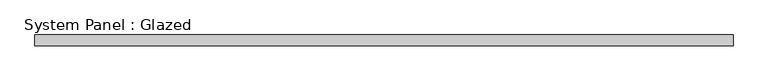
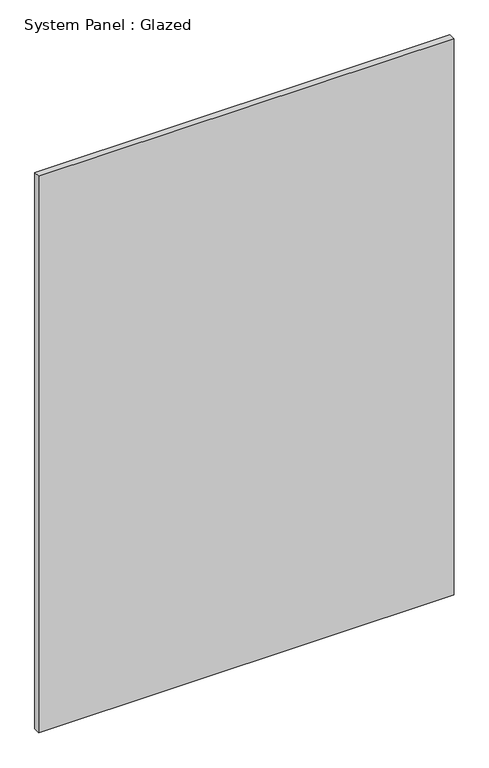
"""IFC4 building model written with IfcOpenShell, lengths in millimetres: plate geometry, System Panel : Glazed."""

from ifc_helpers import new_model, si_unit, origin, origin_with_axes, place, context, project, spatial, polyline, outline, extrude, source, transform, mapped, element, save


def system_panel_glazed_1b617fc7(model_context):
    return source(origin(), model_context, "Body", "SweptSolid", [
        extrude(outline(polyline([(796.6455623, 24.5), (-796.6455623, 24.5), (-796.6455623, 49.5), (796.6455623, 49.5), (796.6455623, 24.5)])), origin_with_axes(), (0.0, 0.0, 1.0), 2257.4666667),
    ])


if __name__ == "__main__":
    model = new_model("IFC4")
    model_context = context("Model", 3, world=origin())
    ifc_project = project(units=[si_unit("LENGTHUNIT", "METRE", prefix="MILLI")], contexts=[model_context])
    site = spatial("IfcSite", under=ifc_project)
    building = spatial("IfcBuilding", under=site)
    placement = place(None, origin())
    system_panel_glazed_shape = system_panel_glazed_1b617fc7(model_context)
    element("IfcPlate", 1, ObjectType="System Panel : Glazed", at=placement, inside=building, context=model_context, shape_type="MappedRepresentation", body=[
        mapped(system_panel_glazed_shape, transform((0.0, 0.0, 0.0), x_axis=(1.0, 0.0, 0.0), y_axis=(0.0, 1.0, 0.0), z_axis=(0.0, 0.0, 1.0))),
    ])
    save(model, "model.ifc")
